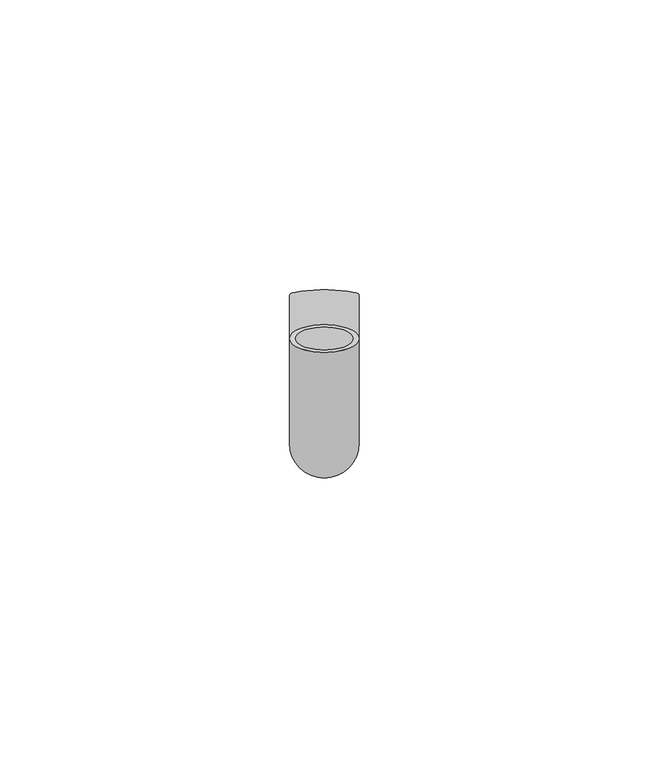
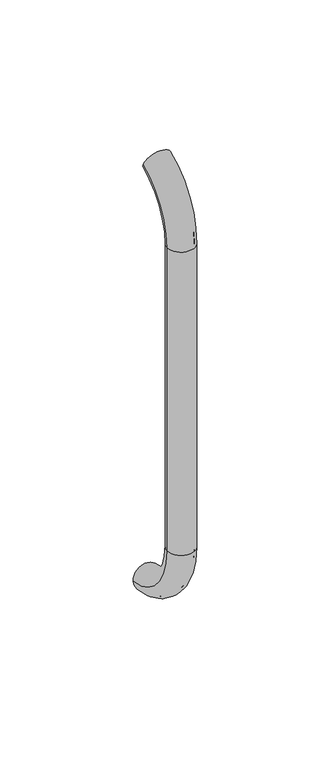
"""IFC4 building model written with IfcOpenShell, lengths in millimetres: beam geometry."""

from ifc_helpers import new_model, si_unit, point, frame, origin, place, context, project, spatial, polyline, circle_curve, ellipse_curve, trimmed, source, transform, mapped, element, save
from ifc_brep_helpers import plane_surface, cylinder_surface, revolved_surface, advanced_brep


def beam_b06468ec(model_context):
    return source(origin(), model_context, "Body", "AdvancedBrep", [
        advanced_brep(
        [(5411.4386176, 2444.0395554, 1993.7787656), (5423.4386176, 2444.0395554, 1993.7787656), (5412.4386176, 2444.0395554, 1993.7787656), (5422.4386176, 2444.0395554, 1993.7787656), (5422.4386176, 2425.9629385, 1966.25), (5412.4386176, 2425.9629385, 1966.25), (5423.4386176, 2425.9629385, 1966.25), (5411.4386176, 2425.9629385, 1966.25), (5412.4386176, 2425.9629385, 1826.25), (5422.4386176, 2425.9629385, 1826.25), (5411.4386176, 2425.9629385, 1826.25), (5423.4386176, 2425.9629385, 1826.25), (5411.4386176, 2451.5825147, 1796.5715249), (5423.4386176, 2451.5825147, 1796.5715249), (5412.4386176, 2451.5825147, 1796.5715249), (5422.4386176, 2451.5825147, 1796.5715249)],
        [
            (0, 1, circle_curve(frame((5417.4386176, 2444.0395554, 1993.7787656), z_axis=(0.0, 0.9176255197351176, 0.3974461039321624), x_axis=(1.0, 0.0, 0.0)), 6.0)),
            (1, 0, circle_curve(frame((5417.4386176, 2444.0395554, 1993.7787656), z_axis=(0.0, 0.9176255197351176, 0.3974461039321624), x_axis=(1.0, 0.0, 0.0)), 6.0)),
            (2, 3, circle_curve(frame((5417.4386176, 2444.0395554, 1993.7787656), z_axis=(0.0, -0.9176255197351176, -0.3974461039321624), x_axis=(1.0, 0.0, 0.0)), 5.0)),
            (3, 2, circle_curve(frame((5417.4386176, 2444.0395554, 1993.7787656), z_axis=(0.0, -0.9176255197351176, -0.3974461039321624), x_axis=(1.0, 0.0, 0.0)), 5.0)),
            (4, 3, circle_curve(frame((5422.4386176, 2455.9629385, 1966.25), z_axis=(-1.0, 0.0, 0.0), x_axis=(0.0, -0.3974461039321624, 0.9176255197351176)), 30.0)),
            (2, 5, circle_curve(frame((5412.4386176, 2455.9629385, 1966.25), z_axis=(1.0, 0.0, 0.0), x_axis=(0.0, -0.3974461039321624, 0.9176255197351176)), 30.0)),
            (5, 4, circle_curve(frame((5417.4386176, 2425.9629385, 1966.25), z_axis=(0.0, 0.0, -1.0), x_axis=(1.0, 0.0, 0.0)), 5.0)),
            (4, 5, circle_curve(frame((5417.4386176, 2425.9629385, 1966.25), z_axis=(0.0, 0.0, -1.0), x_axis=(1.0, 0.0, 0.0)), 5.0)),
            (6, 1, circle_curve(frame((5423.4386176, 2455.9629385, 1966.25), z_axis=(-1.0, 0.0, 0.0), x_axis=(0.0, -0.3974461039321624, 0.9176255197351176)), 30.0)),
            (0, 7, circle_curve(frame((5411.4386176, 2455.9629385, 1966.25), z_axis=(1.0, 0.0, 0.0), x_axis=(0.0, -0.3974461039321624, 0.9176255197351176)), 30.0)),
            (7, 6, circle_curve(frame((5417.4386176, 2425.9629385, 1966.25), z_axis=(0.0, 0.0, 1.0), x_axis=(1.0, 0.0, 0.0)), 6.0)),
            (6, 7, circle_curve(frame((5417.4386176, 2425.9629385, 1966.25), z_axis=(0.0, 0.0, 1.0), x_axis=(1.0, 0.0, 0.0)), 6.0)),
            (5, 8),
            (8, 9, circle_curve(frame((5417.4386176, 2425.9629385, 1826.25), z_axis=(0.0, 0.0, -1.0), x_axis=(1.0, 0.0, 0.0)), 5.0)),
            (9, 4),
            (9, 8, circle_curve(frame((5417.4386176, 2425.9629385, 1826.25), z_axis=(0.0, 0.0, -1.0), x_axis=(1.0, 0.0, 0.0)), 5.0)),
            (7, 10),
            (10, 11, circle_curve(frame((5417.4386176, 2425.9629385, 1826.25), z_axis=(0.0, 0.0, 1.0), x_axis=(1.0, 0.0, 0.0)), 6.0)),
            (11, 6),
            (11, 10, circle_curve(frame((5417.4386176, 2425.9629385, 1826.25), z_axis=(0.0, 0.0, 1.0), x_axis=(1.0, 0.0, 0.0)), 6.0)),
            (12, 13, circle_curve(frame((5417.4386176, 2451.5825147, 1796.5715249), z_axis=(0.0, 0.9892825047438852, -0.14601412879466394), x_axis=(1.0, 0.0, 0.0)), 6.0)),
            (13, 12, circle_curve(frame((5417.4386176, 2451.5825147, 1796.5715249), z_axis=(0.0, 0.9892825047438852, -0.14601412879466394), x_axis=(1.0, 0.0, 0.0)), 6.0)),
            (14, 15, circle_curve(frame((5417.4386176, 2451.5825147, 1796.5715249), z_axis=(0.0, -0.9892825047438852, 0.14601412879466394), x_axis=(1.0, 0.0, 0.0)), 5.0)),
            (15, 14, circle_curve(frame((5417.4386176, 2451.5825147, 1796.5715249), z_axis=(0.0, -0.9892825047438852, 0.14601412879466394), x_axis=(1.0, 0.0, 0.0)), 5.0)),
            (15, 9, circle_curve(frame((5422.4386176, 2455.9629385, 1826.25), z_axis=(-1.0, 0.0, 0.0), x_axis=(0.0, -1.0, 0.0)), 30.0)),
            (8, 14, circle_curve(frame((5412.4386176, 2455.9629385, 1826.25), z_axis=(1.0, 0.0, 0.0), x_axis=(0.0, -1.0, 0.0)), 30.0)),
            (13, 11, circle_curve(frame((5423.4386176, 2455.9629385, 1826.25), z_axis=(-1.0, 0.0, 0.0), x_axis=(0.0, -1.0, 0.0)), 30.0)),
            (10, 12, circle_curve(frame((5411.4386176, 2455.9629385, 1826.25), z_axis=(1.0, 0.0, 0.0), x_axis=(0.0, -1.0, 0.0)), 30.0)),
        ],
        [
            plane_surface(frame((5417.4386176, 2444.0395554, 1993.7787656), z_axis=(0.0, 0.9176255197351176, 0.3974461039321624), x_axis=(1.0, 0.0, 0.0))),
            revolved_surface(trimmed(ellipse_curve(frame((5417.4386176, 2444.0395554, 1993.7787656), z_axis=(0.0, -0.9176255197351176, -0.3974461039321624), x_axis=(1.0, 0.0, 0.0)), 5.0, 5.0), [point((5412.4386176, 2444.0395554, 1993.7787656))], [point((5422.4386176, 2444.0395554, 1993.7787656))], True, "CARTESIAN"), (5417.4386176, 2455.9629385, 1966.25), (1.0, 0.0, 0.0)),
            revolved_surface(trimmed(ellipse_curve(frame((5417.4386176, 2444.0395554, 1993.7787656), z_axis=(0.0, -0.9176255197351176, -0.3974461039321624), x_axis=(1.0, 0.0, 0.0)), 5.0, 5.0), [point((5422.4386176, 2444.0395554, 1993.7787656))], [point((5412.4386176, 2444.0395554, 1993.7787656))], True, "CARTESIAN"), (5417.4386176, 2455.9629385, 1966.25), (1.0, 0.0, 0.0)),
            revolved_surface(trimmed(ellipse_curve(frame((5417.4386176, 2444.0395554, 1993.7787656), z_axis=(0.0, 0.9176255197351176, 0.3974461039321624), x_axis=(1.0, 0.0, 0.0)), 6.0, 6.0), [point((5411.4386176, 2444.0395554, 1993.7787656))], [point((5423.4386176, 2444.0395554, 1993.7787656))], True, "CARTESIAN"), (5417.4386176, 2455.9629385, 1966.25), (1.0, 0.0, 0.0)),
            revolved_surface(trimmed(ellipse_curve(frame((5417.4386176, 2444.0395554, 1993.7787656), z_axis=(0.0, 0.9176255197351176, 0.3974461039321624), x_axis=(1.0, 0.0, 0.0)), 6.0, 6.0), [point((5423.4386176, 2444.0395554, 1993.7787656))], [point((5411.4386176, 2444.0395554, 1993.7787656))], True, "CARTESIAN"), (5417.4386176, 2455.9629385, 1966.25), (1.0, 0.0, 0.0)),
            revolved_surface(polyline([(5422.4386176, 2425.9629385, 1826.25), (5422.4386176, 2425.9629385, 1966.25)]), (5417.4386176, 2425.9629385, 1966.25), (0.0, 0.0, -1.0)),
            cylinder_surface(frame((5417.4386176, 2425.9629385, 1966.25), z_axis=(0.0, 0.0, 1.0), x_axis=(1.0, 0.0, 0.0)), 6.0),
            plane_surface(frame((5417.4386176, 2451.5825147, 1796.5715249), z_axis=(0.0, 0.9892825047438852, -0.14601412879466397), x_axis=(1.0, 0.0, 0.0))),
            revolved_surface(trimmed(ellipse_curve(frame((5417.4386176, 2425.9629385, 1826.25), z_axis=(0.0, 0.0, -1.0), x_axis=(1.0, 0.0, 0.0)), 5.0, 5.0), [point((5412.4386176, 2425.9629385, 1826.25))], [point((5422.4386176, 2425.9629385, 1826.25))], True, "CARTESIAN"), (5417.4386176, 2455.9629385, 1826.25), (1.0, 0.0, 0.0)),
            revolved_surface(trimmed(ellipse_curve(frame((5417.4386176, 2425.9629385, 1826.25), z_axis=(0.0, 0.0, -1.0), x_axis=(1.0, 0.0, 0.0)), 5.0, 5.0), [point((5422.4386176, 2425.9629385, 1826.25))], [point((5412.4386176, 2425.9629385, 1826.25))], True, "CARTESIAN"), (5417.4386176, 2455.9629385, 1826.25), (1.0, 0.0, 0.0)),
            revolved_surface(trimmed(ellipse_curve(frame((5417.4386176, 2425.9629385, 1826.25), z_axis=(0.0, 0.0, 1.0), x_axis=(1.0, 0.0, 0.0)), 6.0, 6.0), [point((5411.4386176, 2425.9629385, 1826.25))], [point((5423.4386176, 2425.9629385, 1826.25))], True, "CARTESIAN"), (5417.4386176, 2455.9629385, 1826.25), (1.0, 0.0, 0.0)),
            revolved_surface(trimmed(ellipse_curve(frame((5417.4386176, 2425.9629385, 1826.25), z_axis=(0.0, 0.0, 1.0), x_axis=(1.0, 0.0, 0.0)), 6.0, 6.0), [point((5423.4386176, 2425.9629385, 1826.25))], [point((5411.4386176, 2425.9629385, 1826.25))], True, "CARTESIAN"), (5417.4386176, 2455.9629385, 1826.25), (1.0, 0.0, 0.0)),
        ],
        [
            (0, [[1, 2], [3, 4]]),
            (1, [[5, -3, 6, 7]]),
            (2, [[-6, -4, -5, 8]]),
            (3, [[9, -1, 10, 11]]),
            (4, [[-10, -2, -9, 12]]),
            (5, [[-7, 13, 14, 15]]),
            (5, [[-8, -15, 16, -13]]),
            (6, [[-11, 17, 18, 19]]),
            (6, [[-12, -19, 20, -17]]),
            (7, [[21, 22], [23, 24]]),
            (8, [[25, -14, 26, -24]]),
            (9, [[-26, -16, -25, -23]]),
            (10, [[27, -18, 28, -22]]),
            (11, [[-28, -20, -27, -21]]),
        ],
    ),
    ])


if __name__ == "__main__":
    model = new_model("IFC4")
    model_context = context("Model", 3, world=origin())
    ifc_project = project(units=[si_unit("LENGTHUNIT", "METRE", prefix="MILLI")], contexts=[model_context])
    site = spatial("IfcSite", under=ifc_project)
    building = spatial("IfcBuilding", under=site)
    placement = place(None, origin())
    beam_shape = beam_b06468ec(model_context)
    element("IfcBeam", 1, at=placement, inside=building, context=model_context, shape_type="MappedRepresentation", body=[
        mapped(beam_shape, transform((0.0, 0.0, 0.0), x_axis=(1.0, 0.0, 0.0), y_axis=(0.0, 1.0, 0.0), z_axis=(0.0, 0.0, 1.0))),
    ])
    save(model, "model.ifc")
